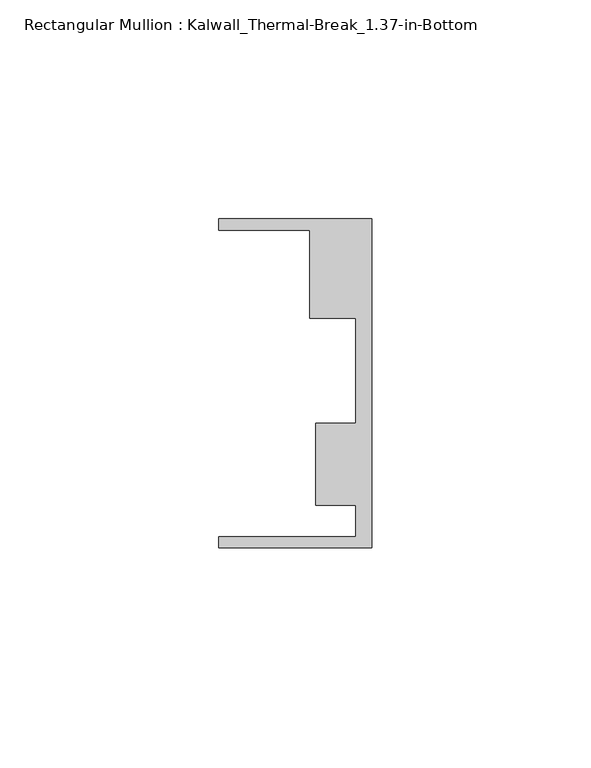
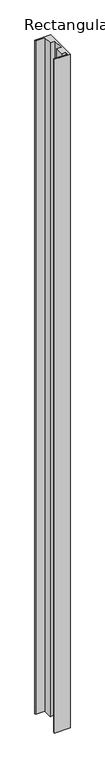
"""IFC4 building model written with IfcOpenShell, lengths in millimetres: member geometry, Rectangular Mullion : Kalwall_Thermal-Break_1.37-in-Bottom."""

from ifc_helpers import new_model, si_unit, frame, origin, place, context, project, spatial, polyline, outline, extrude, source, transform, mapped, element, save


def rectangular_mullion_kalwall_thermal_break_1_37_in_bottom_5d690703(model_context):
    return source(origin(), model_context, "Body", "SweptSolid", [
        extrude(outline(polyline([(0.0, -37.5776386), (-34.925, -37.5776386), (-34.925, -35.0376386), (-3.7084, -35.0376386), (-3.7084, -27.8888568), (-12.8272539, -27.8888568), (-12.8272539, -9.1879886), (-3.7084, -9.1879886), (-3.7084, 14.7812677), (-14.1882812, 14.7812677), (-14.1882812, 34.9623614), (-34.925, 34.9623614), (-34.925, 37.5023614), (0.0, 37.5023614), (0.0, -37.5776386)])), frame((0.0, 0.0, -1585.0068), z_axis=(0.0, 0.0, 1.0), x_axis=(1.0, 0.0, 0.0)), (0.0, 0.0, 1.0), 1585.0068),
    ])


if __name__ == "__main__":
    model = new_model("IFC4")
    model_context = context("Model", 3, world=origin())
    ifc_project = project(units=[si_unit("LENGTHUNIT", "METRE", prefix="MILLI")], contexts=[model_context])
    site = spatial("IfcSite", under=ifc_project)
    building = spatial("IfcBuilding", under=site)
    placement = place(None, origin())
    rectangular_mullion_kalwall_thermal_break_1_37_in_bottom_shape = rectangular_mullion_kalwall_thermal_break_1_37_in_bottom_5d690703(model_context)
    element("IfcMember", 1, ObjectType="Rectangular Mullion : Kalwall_Thermal-Break_1.37-in-Bottom", at=placement, inside=building, context=model_context, shape_type="MappedRepresentation", body=[
        mapped(rectangular_mullion_kalwall_thermal_break_1_37_in_bottom_shape, transform((0.0, 0.0, 0.0), x_axis=(1.0, 0.0, 0.0), y_axis=(0.0, 1.0, 0.0), z_axis=(0.0, 0.0, 1.0))),
    ])
    save(model, "model.ifc")
